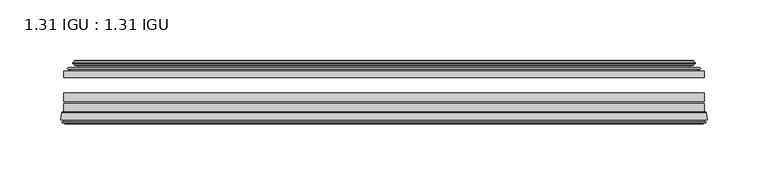
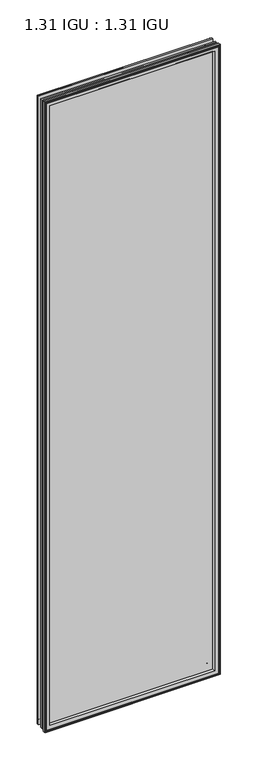
"""IFC4 building model written with IfcOpenShell, lengths in millimetres: plate geometry, 1.31 IGU : 1.31 IGU."""

from ifc_helpers import new_model, si_unit, frame, origin, place, context, project, spatial, polyline, ellipse_curve, outline, extrude, source, transform, mapped, element, save
from ifc_brep_helpers import plane_surface, cylinder_surface, revolved_surface, advanced_brep


def plate_1_31_igu_1_31_igu_4d8104e2(model_context):
    return source(origin(), model_context, "Body", "SolidModel", [
        extrude(outline(polyline([(263.5203362, -44.8960875), (263.5203362, -50.4332875), (-263.5252713, -50.4332875), (-263.5252713, -44.8960875), (263.5203362, -44.8960875)])), frame((0.0, 0.0, -14.2875), z_axis=(0.0, 0.0, 1.0), x_axis=(1.0, 0.0, 0.0)), (0.0, 0.0, 1.0), 2009.67848),
        extrude(outline(polyline([(-263.5252713, -78.7796875), (-263.5252713, -71.7692875), (263.5203362, -71.7692875), (263.5203362, -78.7796875), (-263.5252713, -78.7796875)])), frame((0.0, 0.0, -14.2875), z_axis=(0.0, 0.0, 1.0), x_axis=(1.0, 0.0, 0.0)), (0.0, 0.0, 1.0), 2009.67848),
        extrude(outline(polyline([(-263.5252713, -70.2452875), (-263.5252713, -63.1332875), (263.5203362, -63.1332875), (263.5203362, -70.2452875), (-263.5252713, -70.2452875)])), frame((0.0, 0.0, -14.2875), z_axis=(0.0, 0.0, 1.0), x_axis=(1.0, 0.0, 0.0)), (0.0, 0.0, 1.0), 2009.67848),
        advanced_brep(
        [(-266.0721752, -85.1296875, 1997.9378839), (-265.3773914, -79.4711276, 1997.2431001), (-265.3773914, -79.4711276, -16.1396201), (-266.0721752, -85.1296875, -16.8344039), (-263.6845752, -87.1207518, 1995.5502839), (-264.1417752, -85.1296875, 1996.0074839), (-264.1417752, -85.1296875, -14.9040039), (-263.6845752, -87.1207518, -14.4468039), (-264.6859371, -86.8524376, 1996.5516458), (-264.6859371, -86.8524376, -15.4481658), (-264.9291752, -87.7602147, 1996.7948839), (-264.9291752, -87.7602147, -15.6914039), (-262.8971752, -88.3046875, 1994.7628839), (-262.8971752, -88.3046875, -13.6594039), (-260.8651752, -87.7602147, 1992.7308839), (-260.8651752, -87.7602147, -11.6274039), (-261.1084133, -86.8524376, 1992.9741221), (-261.1084133, -86.8524376, -11.8706421), (-262.1097752, -87.1207518, 1993.9754839), (-262.1097752, -87.1207518, -12.8720039), (-261.6525752, -85.1296875, 1993.5182839), (-261.6525752, -85.1296875, -12.4148039), (-264.5958606, -78.7796875, 1996.4615693), (-264.5958606, -78.7796875, -15.3580893), (265.3773914, -79.4711276, -16.1396201), (266.0721752, -85.1296875, -16.8344039), (264.1417752, -85.1296875, -14.9040039), (263.6845752, -87.1207518, -14.4468039), (264.6859371, -86.8524376, -15.4481658), (264.9291752, -87.7602147, -15.6914039), (262.8971752, -88.3046875, -13.6594039), (260.8651752, -87.7602147, -11.6274039), (261.1084133, -86.8524376, -11.8706421), (262.1097752, -87.1207518, -12.8720039), (261.6525752, -85.1296875, -12.4148039), (264.5958606, -78.7796875, -15.3580893), (265.3773914, -79.4711276, 1997.2431001), (266.0721752, -85.1296875, 1997.9378839), (264.1417752, -85.1296875, 1996.0074839), (263.6845752, -87.1207518, 1995.5502839), (264.6859371, -86.8524376, 1996.5516458), (264.9291752, -87.7602147, 1996.7948839), (262.8971752, -88.3046875, 1994.7628839), (260.8651752, -87.7602147, 1992.7308839), (261.1084133, -86.8524376, 1992.9741221), (262.1097752, -87.1207518, 1993.9754839), (261.6525752, -85.1296875, 1993.5182839), (264.5958606, -78.7796875, 1996.4615693), (-249.2499844, -85.1296875, 1981.1156931), (249.2499844, -85.1296875, 1981.1156931), (249.2499844, -85.1296875, -0.0122131), (-249.2499844, -85.1296875, -0.0122131), (-245.9337075, -78.7796875, 3.3040638), (245.9337075, -78.7796875, 3.3040638), (245.9337075, -78.7796875, 1977.7994162), (-245.9337075, -78.7796875, 1977.7994162)],
        [
            (0, 1),
            (1, 2),
            (2, 3),
            (3, 0),
            (4, 5),
            (5, 6),
            (6, 7),
            (7, 4),
            (8, 4),
            (7, 9),
            (9, 8),
            (10, 8),
            (9, 11),
            (11, 10),
            (12, 10),
            (11, 13),
            (13, 12),
            (14, 12),
            (13, 15),
            (15, 14),
            (16, 14),
            (15, 17),
            (17, 16),
            (18, 16),
            (17, 19),
            (19, 18),
            (20, 18),
            (19, 21),
            (21, 20),
            (1, 22, ellipse_curve(frame((-264.5958606, -79.5670875, 1996.4615693), z_axis=(-0.7071067811865475, 0.0, -0.7071067811865475), x_axis=(-0.7071067811865474, 0.0, 0.7071067811865476)), 1.1135518, 0.7874)),
            (22, 23),
            (23, 2, ellipse_curve(frame((-264.5958606, -79.5670875, -15.3580893), z_axis=(-0.7071067811865475, 0.0, 0.7071067811865475), x_axis=(0.7071067811865474, 0.0, 0.7071067811865476)), 1.1135518, 0.7874)),
            (2, 24),
            (24, 25),
            (25, 3),
            (6, 26),
            (26, 27),
            (27, 7),
            (27, 28),
            (28, 9),
            (28, 29),
            (29, 11),
            (29, 30),
            (30, 13),
            (30, 31),
            (31, 15),
            (31, 32),
            (32, 17),
            (32, 33),
            (33, 19),
            (33, 34),
            (34, 21),
            (23, 35),
            (35, 24, ellipse_curve(frame((264.5958606, -79.5670875, -15.3580893), z_axis=(-0.7071067811865475, 0.0, -0.7071067811865475), x_axis=(-0.7071067811865476, 0.0, 0.7071067811865474)), 1.1135518, 0.7874)),
            (24, 36),
            (36, 37),
            (37, 25),
            (26, 38),
            (38, 39),
            (39, 27),
            (39, 40),
            (40, 28),
            (40, 41),
            (41, 29),
            (41, 42),
            (42, 30),
            (42, 43),
            (43, 31),
            (43, 44),
            (44, 32),
            (44, 45),
            (45, 33),
            (45, 46),
            (46, 34),
            (35, 47),
            (47, 36, ellipse_curve(frame((264.5958606, -79.5670875, 1996.4615693), z_axis=(0.7071067811865475, 0.0, -0.7071067811865475), x_axis=(-0.7071067811865474, 0.0, -0.7071067811865476)), 1.1135518, 0.7874)),
            (36, 1),
            (0, 37),
            (5, 38),
            (4, 39),
            (8, 40),
            (10, 41),
            (12, 42),
            (14, 43),
            (16, 44),
            (18, 45),
            (20, 46),
            (48, 49),
            (49, 50),
            (50, 51),
            (51, 48),
            (22, 47),
            (52, 53),
            (53, 54),
            (54, 55),
            (55, 52),
            (55, 48, ellipse_curve(frame((-238.0006895, -86.963653, 1969.8663982), z_axis=(0.7071067811865475, 0.0, 0.7071067811865475), x_axis=(0.7071067811865474, 0.0, -0.7071067811865476)), 16.118937, 11.3978097)),
            (51, 52, ellipse_curve(frame((-238.0006895, -86.963653, 11.2370818), z_axis=(0.7071067811865475, 0.0, -0.7071067811865475), x_axis=(-0.7071067811865474, 0.0, -0.7071067811865476)), 16.118937, 11.3978097)),
            (50, 53, ellipse_curve(frame((238.0006895, -86.963653, 11.2370818), z_axis=(0.7071067811865475, 0.0, 0.7071067811865475), x_axis=(0.7071067811865476, 0.0, -0.7071067811865474)), 16.118937, 11.3978097)),
            (49, 54, ellipse_curve(frame((238.0006895, -86.963653, 1969.8663982), z_axis=(-0.7071067811865475, 0.0, 0.7071067811865475), x_axis=(0.7071067811865474, 0.0, 0.7071067811865476)), 16.118937, 11.3978097)),
        ],
        [
            plane_surface(frame((-265.3773914, -79.4711276, 1997.2431001), z_axis=(-0.9925461516413008, 0.1218693434053207, 0.0), x_axis=(0.0, 0.0, -1.0))),
            plane_surface(frame((-264.1417752, -85.1296875, 1996.0074839), z_axis=(-0.9746347637895997, -0.22380142361654332, 0.0), x_axis=(0.0, 0.0, -1.0))),
            plane_surface(frame((-263.6845752, -87.1207518, 1995.5502839), z_axis=(0.2588190451026679, 0.9659258262890289, 0.0), x_axis=(0.0, 0.0, -1.0))),
            plane_surface(frame((-264.6859371, -86.8524376, 1996.5516458), z_axis=(-0.9659258262890449, 0.25881904510260834, 0.0), x_axis=(0.0, 0.0, -1.0))),
            plane_surface(frame((-264.9291752, -87.7602147, 1996.7948839), z_axis=(-0.258819045102569, -0.9659258262890554, 0.0), x_axis=(0.0, 0.0, -1.0))),
            plane_surface(frame((-262.8971752, -88.3046875, 1994.7628839), z_axis=(0.2588190451024146, -0.9659258262890968, 0.0), x_axis=(0.0, 0.0, -1.0))),
            plane_surface(frame((-260.8651752, -87.7602147, 1992.7308839), z_axis=(0.9659258262890272, 0.258819045102674, 0.0), x_axis=(0.0, 0.0, -1.0))),
            plane_surface(frame((-261.1084133, -86.8524376, 1992.9741221), z_axis=(-0.2588190451023417, 0.9659258262891163, 0.0), x_axis=(0.0, 0.0, -1.0))),
            plane_surface(frame((-262.1097752, -87.1207518, 1993.9754839), z_axis=(0.9746347637895936, -0.2238014236165695, 0.0), x_axis=(0.0, 0.0, -1.0))),
            cylinder_surface(frame((-264.5958606, -79.5670875, 2012.85348), z_axis=(0.0, 0.0, 1.0), x_axis=(-1.0, 0.0, 0.0)), 0.7874),
            plane_surface(frame((-265.3773914, -79.4711276, -16.1396201), z_axis=(0.0, 0.12186934340531747, -0.9925461516413012), x_axis=(1.0, 0.0, 0.0))),
            plane_surface(frame((-264.1417752, -85.1296875, -14.9040039), z_axis=(0.0, -0.22380142361654648, -0.9746347637895989), x_axis=(1.0, 0.0, 0.0))),
            plane_surface(frame((-263.6845752, -87.1207518, -14.4468039), z_axis=(0.0, 0.9659258262890298, 0.25881904510266474), x_axis=(1.0, 0.0, 0.0))),
            plane_surface(frame((-264.6859371, -86.8524376, -15.4481658), z_axis=(0.0, 0.25881904510260517, -0.9659258262890458), x_axis=(1.0, 0.0, 0.0))),
            plane_surface(frame((-264.9291752, -87.7602147, -15.6914039), z_axis=(0.0, -0.9659258262890563, -0.2588190451025658), x_axis=(1.0, 0.0, 0.0))),
            plane_surface(frame((-262.8971752, -88.3046875, -13.6594039), z_axis=(0.0, -0.965925826289096, 0.25881904510241777), x_axis=(1.0, 0.0, 0.0))),
            plane_surface(frame((-260.8651752, -87.7602147, -11.6274039), z_axis=(0.0, 0.2588190451026772, 0.9659258262890265), x_axis=(1.0, 0.0, 0.0))),
            plane_surface(frame((-261.1084133, -86.8524376, -11.8706421), z_axis=(0.0, 0.9659258262891154, -0.2588190451023449), x_axis=(1.0, 0.0, 0.0))),
            plane_surface(frame((-262.1097752, -87.1207518, -12.8720039), z_axis=(0.0, -0.22380142361656633, 0.9746347637895943), x_axis=(1.0, 0.0, 0.0))),
            cylinder_surface(frame((-280.9877713, -79.5670875, -15.3580893), z_axis=(-1.0, 0.0, 0.0), x_axis=(0.0, 0.0, -1.0)), 0.7874),
            plane_surface(frame((265.3773914, -79.4711276, -16.1396201), z_axis=(0.9925461516413017, 0.12186934340531423, 0.0), x_axis=(0.0, 0.0, 1.0))),
            plane_surface(frame((264.1417752, -85.1296875, -14.9040039), z_axis=(0.9746347637895981, -0.22380142361654964, 0.0), x_axis=(0.0, 0.0, 1.0))),
            plane_surface(frame((263.6845752, -87.1207518, -14.4468039), z_axis=(-0.25881904510266157, 0.9659258262890307, 0.0), x_axis=(0.0, 0.0, 1.0))),
            plane_surface(frame((264.6859371, -86.8524376, -15.4481658), z_axis=(0.9659258262890467, 0.258819045102602, 0.0), x_axis=(0.0, 0.0, 1.0))),
            plane_surface(frame((264.9291752, -87.7602147, -15.6914039), z_axis=(0.25881904510256265, -0.9659258262890572, 0.0), x_axis=(0.0, 0.0, 1.0))),
            plane_surface(frame((262.8971752, -88.3046875, -13.6594039), z_axis=(-0.25881904510242093, -0.9659258262890951, 0.0), x_axis=(0.0, 0.0, 1.0))),
            plane_surface(frame((260.8651752, -87.7602147, -11.6274039), z_axis=(-0.9659258262890256, 0.2588190451026804, 0.0), x_axis=(0.0, 0.0, 1.0))),
            plane_surface(frame((261.1084133, -86.8524376, -11.8706421), z_axis=(0.2588190451023481, 0.9659258262891146, 0.0), x_axis=(0.0, 0.0, 1.0))),
            plane_surface(frame((262.1097752, -87.1207518, -12.8720039), z_axis=(-0.9746347637895951, -0.22380142361656316, 0.0), x_axis=(0.0, 0.0, 1.0))),
            cylinder_surface(frame((264.5958606, -79.5670875, -31.75), z_axis=(0.0, 0.0, -1.0), x_axis=(1.0, 0.0, 0.0)), 0.7874),
            plane_surface(frame((265.3773914, -79.4711276, 1997.2431001), z_axis=(0.0, 0.12186934340531747, 0.9925461516413012), x_axis=(-1.0, 0.0, 0.0))),
            plane_surface(frame((266.0721752, -85.1296875, 1997.9378839), z_axis=(0.0, -1.0, 0.0), x_axis=(-1.0, 0.0, 0.0))),
            plane_surface(frame((264.1417752, -85.1296875, 1996.0074839), z_axis=(0.0, -0.22380142361654648, 0.9746347637895989), x_axis=(-1.0, 0.0, 0.0))),
            plane_surface(frame((263.6845752, -87.1207518, 1995.5502839), z_axis=(0.0, 0.9659258262890298, -0.25881904510266474), x_axis=(-1.0, 0.0, 0.0))),
            plane_surface(frame((264.6859371, -86.8524376, 1996.5516458), z_axis=(0.0, 0.25881904510260517, 0.9659258262890458), x_axis=(-1.0, 0.0, 0.0))),
            plane_surface(frame((264.9291752, -87.7602147, 1996.7948839), z_axis=(0.0, -0.9659258262890563, 0.2588190451025658), x_axis=(-1.0, 0.0, 0.0))),
            plane_surface(frame((262.8971752, -88.3046875, 1994.7628839), z_axis=(0.0, -0.965925826289096, -0.25881904510241777), x_axis=(-1.0, 0.0, 0.0))),
            plane_surface(frame((260.8651752, -87.7602147, 1992.7308839), z_axis=(0.0, 0.2588190451026772, -0.9659258262890265), x_axis=(-1.0, 0.0, 0.0))),
            plane_surface(frame((261.1084133, -86.8524376, 1992.9741221), z_axis=(0.0, 0.9659258262891155, 0.25881904510234494), x_axis=(-1.0, 0.0, 0.0))),
            plane_surface(frame((262.1097752, -87.1207518, 1993.9754839), z_axis=(0.0, -0.22380142361656633, -0.9746347637895943), x_axis=(-1.0, 0.0, 0.0))),
            plane_surface(frame((261.6525752, -85.1296875, 1993.5182839), z_axis=(0.0, -1.0, 0.0), x_axis=(-1.0, 0.0, 0.0))),
            plane_surface(frame((245.9337075, -78.7796875, 1977.7994162), z_axis=(0.0, 1.0, 0.0), x_axis=(-1.0, 0.0, 0.0))),
            cylinder_surface(frame((280.9877713, -79.5670875, 1996.4615693), z_axis=(1.0, 0.0, 0.0), x_axis=(0.0, 0.0, 1.0)), 0.7874),
            revolved_surface(polyline([(-249.3984992, -86.963653, -0.1607278582187064), (-249.3984992, -86.963653, 1981.2642078582187)]), (-238.0006895, -86.963653, 2012.85348), (0.0, 0.0, -1.0)),
            revolved_surface(polyline([(249.39849915821873, -86.963653, -0.16072789999999948), (-249.39849915821873, -86.963653, -0.16072789999999948)]), (-280.9877713, -86.963653, 11.2370818), (1.0, 0.0, 0.0)),
            revolved_surface(polyline([(249.3984992, -86.963653, 1981.2642078582187), (249.3984992, -86.963653, -0.16072785821874191)]), (238.0006895, -86.963653, -31.75), (0.0, 0.0, 1.0)),
            revolved_surface(polyline([(-249.39849915821873, -86.963653, 1981.2642079), (249.39849915821873, -86.963653, 1981.2642079)]), (280.9877713, -86.963653, 1969.8663982), (-1.0, 0.0, 0.0)),
        ],
        [
            (0, [[1, 2, 3, 4]]),
            (1, [[5, 6, 7, 8]]),
            (2, [[9, -8, 10, 11]]),
            (3, [[12, -11, 13, 14]]),
            (4, [[15, -14, 16, 17]]),
            (5, [[18, -17, 19, 20]]),
            (6, [[21, -20, 22, 23]]),
            (7, [[24, -23, 25, 26]]),
            (8, [[27, -26, 28, 29]]),
            (9, [[30, 31, 32, -2]]),
            (10, [[-3, 33, 34, 35]]),
            (11, [[-7, 36, 37, 38]]),
            (12, [[-10, -38, 39, 40]]),
            (13, [[-13, -40, 41, 42]]),
            (14, [[-16, -42, 43, 44]]),
            (15, [[-19, -44, 45, 46]]),
            (16, [[-22, -46, 47, 48]]),
            (17, [[-25, -48, 49, 50]]),
            (18, [[-28, -50, 51, 52]]),
            (19, [[-32, 53, 54, -33]]),
            (20, [[-34, 55, 56, 57]]),
            (21, [[-37, 58, 59, 60]]),
            (22, [[-39, -60, 61, 62]]),
            (23, [[-41, -62, 63, 64]]),
            (24, [[-43, -64, 65, 66]]),
            (25, [[-45, -66, 67, 68]]),
            (26, [[-47, -68, 69, 70]]),
            (27, [[-49, -70, 71, 72]]),
            (28, [[-51, -72, 73, 74]]),
            (29, [[-54, 75, 76, -55]]),
            (30, [[-56, 77, -1, 78]]),
            (31, [[-35, -57, -78, -4], [79, -58, -36, -6]]),
            (32, [[-59, -79, -5, 80]]),
            (33, [[-61, -80, -9, 81]]),
            (34, [[-63, -81, -12, 82]]),
            (35, [[-65, -82, -15, 83]]),
            (36, [[-67, -83, -18, 84]]),
            (37, [[-69, -84, -21, 85]]),
            (38, [[-71, -85, -24, 86]]),
            (39, [[-73, -86, -27, 87]]),
            (40, [[-52, -74, -87, -29], [88, 89, 90, 91]]),
            (41, [[92, -75, -53, -31], [93, 94, 95, 96]]),
            (42, [[-76, -92, -30, -77]]),
            (43, [[97, -91, 98, -96]]),
            (44, [[-98, -90, 99, -93]]),
            (45, [[-99, -89, 100, -94]]),
            (46, [[-100, -88, -97, -95]]),
        ],
    ),
        advanced_brep(
        [(-254.1799468, -37.7373382, 1986.0456555), (-249.2383138, -36.3108875, 1981.1040226), (-249.2383138, -36.3108875, -0.0005426), (-254.1799468, -37.7373382, -4.9421755), (-254.0148415, -36.9605789, 1985.8805502), (-254.0148415, -36.9605789, -4.7770702), (-254.6103272, -36.4771203, 1986.4760359), (-254.6103272, -36.4771203, -5.3725559), (-255.874963, -37.766076, 1987.7406717), (-255.874963, -37.766076, -6.6371917), (-255.8641462, -38.8797852, 1987.7298549), (-255.8641462, -38.8797852, -6.6263749), (-254.582661, -40.1361433, 1986.4483697), (-254.582661, -40.1361433, -5.3448897), (-253.9776542, -39.649943, 1985.8433629), (-253.9776542, -39.649943, -4.7398829), (-254.5316684, -39.0959287, 1986.3973772), (-254.5316684, -39.0959287, -5.2938972), (-252.24586, -38.7029881, 1984.1115687), (-252.24586, -38.7029881, -3.0080887), (-250.7867869, -40.2107282, 1982.6524957), (-250.7867869, -40.2107282, -1.5490157), (-251.0833689, -41.651269, 1982.9490776), (-251.0833689, -41.651269, -1.8455976), (-251.8545933, -42.2798875, 1983.7203021), (-251.8545933, -42.2798875, -2.6168221), (-260.1585697, -43.4871542, 1992.0242784), (-259.8833682, -42.2798875, 1991.7490769), (-259.8833682, -42.2798875, -10.6455969), (-260.1585697, -43.4871542, -10.9207984), (-256.701001, -44.8960875, 1988.5667097), (-256.701001, -44.8960875, -7.4632297), (-245.6033772, -44.023302, 1977.4690859), (-245.9587152, -44.8960875, 1977.8244239), (-245.9587152, -44.8960875, 3.2790561), (-245.6033772, -44.023302, 3.6343941), (-246.2745752, -43.3681812, 1978.140284), (-246.2745752, -43.3681812, 2.963196), (-247.9153658, -40.6686056, 1979.7810746), (-247.9153658, -40.6686056, 1.3224054), (249.2383138, -36.3108875, -0.0005426), (254.1799468, -37.7373382, -4.9421755), (254.0148415, -36.9605789, -4.7770702), (254.6103272, -36.4771203, -5.3725559), (255.874963, -37.766076, -6.6371917), (255.8641462, -38.8797852, -6.6263749), (254.582661, -40.1361433, -5.3448897), (253.9776542, -39.649943, -4.7398829), (254.5316684, -39.0959287, -5.2938972), (252.24586, -38.7029881, -3.0080887), (250.7867869, -40.2107282, -1.5490157), (251.0833689, -41.651269, -1.8455976), (251.8545933, -42.2798875, -2.6168221), (259.8833682, -42.2798875, -10.6455969), (260.1585697, -43.4871542, -10.9207984), (256.701001, -44.8960875, -7.4632297), (245.9587152, -44.8960875, 3.2790561), (245.6033772, -44.023302, 3.6343941), (246.2745752, -43.3681812, 2.963196), (247.9153658, -40.6686056, 1.3224054), (249.2383138, -36.3108875, 1981.1040226), (254.1799468, -37.7373382, 1986.0456555), (254.0148415, -36.9605789, 1985.8805502), (254.6103272, -36.4771203, 1986.4760359), (255.874963, -37.766076, 1987.7406717), (255.8641462, -38.8797852, 1987.7298549), (254.582661, -40.1361433, 1986.4483697), (253.9776542, -39.649943, 1985.8433629), (254.5316684, -39.0959287, 1986.3973772), (252.24586, -38.7029881, 1984.1115687), (250.7867869, -40.2107282, 1982.6524957), (251.0833689, -41.651269, 1982.9490776), (251.8545933, -42.2798875, 1983.7203021), (259.8833682, -42.2798875, 1991.7490769), (260.1585697, -43.4871542, 1992.0242784), (256.701001, -44.8960875, 1988.5667097), (245.9587152, -44.8960875, 1977.8244239), (245.6033772, -44.023302, 1977.4690859), (246.2745752, -43.3681812, 1978.140284), (247.9153658, -40.6686056, 1979.7810746)],
        [
            (0, 1),
            (1, 2),
            (2, 3),
            (3, 0),
            (4, 0),
            (3, 5),
            (5, 4),
            (6, 4, ellipse_curve(frame((-254.3353584, -36.746901, 1986.2010671), z_axis=(-0.7071067811865475, 0.0, -0.7071067811865475), x_axis=(-0.7071067811865474, 0.0, 0.7071067811865476)), 0.5447741, 0.3852135)),
            (5, 7, ellipse_curve(frame((-254.3353584, -36.746901, -5.0975871), z_axis=(-0.7071067811865475, 0.0, 0.7071067811865475), x_axis=(0.7071067811865474, 0.0, 0.7071067811865476)), 0.5447741, 0.3852135)),
            (7, 6),
            (8, 6),
            (7, 9),
            (9, 8),
            (10, 8, ellipse_curve(frame((-255.3129099, -38.3175243, 1987.1786187), z_axis=(-0.7071067811865475, 0.0, -0.7071067811865475), x_axis=(-0.7071067811865474, 0.0, 0.7071067811865476)), 1.1135518, 0.7874)),
            (9, 11, ellipse_curve(frame((-255.3129099, -38.3175243, -6.0751387), z_axis=(-0.7071067811865475, 0.0, 0.7071067811865475), x_axis=(0.7071067811865474, 0.0, 0.7071067811865476)), 1.1135518, 0.7874)),
            (11, 10),
            (12, 10),
            (11, 13),
            (13, 12),
            (14, 12, ellipse_curve(frame((-254.3090635, -39.8570738, 1986.1747722), z_axis=(-0.7071067811865475, 0.0, -0.7071067811865475), x_axis=(-0.7071067811865474, 0.0, 0.7071067811865476)), 0.552694, 0.3908137)),
            (13, 15, ellipse_curve(frame((-254.3090635, -39.8570738, -5.0712922), z_axis=(-0.7071067811865475, 0.0, 0.7071067811865475), x_axis=(0.7071067811865474, 0.0, 0.7071067811865476)), 0.552694, 0.3908137)),
            (15, 14),
            (16, 14),
            (15, 17),
            (17, 16),
            (18, 16),
            (17, 19),
            (19, 18),
            (20, 18, ellipse_curve(frame((-252.0306974, -39.954629, 1983.8964061), z_axis=(0.7071067811865475, 0.0, 0.7071067811865475), x_axis=(0.7071067811865474, 0.0, -0.7071067811865476)), 1.7960512, 1.27)),
            (19, 21, ellipse_curve(frame((-252.0306974, -39.954629, -2.7929261), z_axis=(0.7071067811865475, 0.0, -0.7071067811865475), x_axis=(-0.7071067811865474, 0.0, -0.7071067811865476)), 1.7960512, 1.27)),
            (21, 20),
            (22, 20),
            (21, 23),
            (23, 22),
            (24, 22, ellipse_curve(frame((-251.8545933, -41.4924875, 1983.7203021), z_axis=(0.7071067811865475, 0.0, 0.7071067811865475), x_axis=(0.7071067811865474, 0.0, -0.7071067811865476)), 1.1135518, 0.7874)),
            (23, 25, ellipse_curve(frame((-251.8545933, -41.4924875, -2.6168221), z_axis=(0.7071067811865475, 0.0, -0.7071067811865475), x_axis=(-0.7071067811865474, 0.0, -0.7071067811865476)), 1.1135518, 0.7874)),
            (25, 24),
            (26, 27, ellipse_curve(frame((-259.8833682, -42.9148875, 1991.7490769), z_axis=(-0.7071067811865475, 0.0, -0.7071067811865475), x_axis=(-0.7071067811865474, 0.0, 0.7071067811865476)), 0.8980256, 0.635)),
            (27, 28),
            (28, 29, ellipse_curve(frame((-259.8833682, -42.9148875, -10.6455969), z_axis=(-0.7071067811865475, 0.0, 0.7071067811865475), x_axis=(0.7071067811865474, 0.0, 0.7071067811865476)), 0.8980256, 0.635)),
            (29, 26),
            (30, 26),
            (29, 31),
            (31, 30),
            (32, 33, ellipse_curve(frame((-245.9587152, -44.3873602, 1977.8244239), z_axis=(-0.7071067811865475, 0.0, -0.7071067811865475), x_axis=(-0.7071067811865474, 0.0, 0.7071067811865476)), 0.719449, 0.5087273)),
            (33, 34),
            (34, 35, ellipse_curve(frame((-245.9587152, -44.3873602, 3.2790561), z_axis=(-0.7071067811865475, 0.0, 0.7071067811865475), x_axis=(0.7071067811865474, 0.0, 0.7071067811865476)), 0.719449, 0.5087273)),
            (35, 32),
            (36, 32),
            (35, 37),
            (37, 36),
            (38, 36, ellipse_curve(frame((-241.839201, -38.823959, 1973.7049098), z_axis=(0.7071067811865475, 0.0, 0.7071067811865475), x_axis=(0.7071067811865474, 0.0, -0.7071067811865476)), 8.9802561, 6.35)),
            (37, 39, ellipse_curve(frame((-241.839201, -38.823959, 7.3985702), z_axis=(0.7071067811865475, 0.0, -0.7071067811865475), x_axis=(-0.7071067811865474, 0.0, -0.7071067811865476)), 8.9802561, 6.35)),
            (39, 38),
            (1, 38),
            (39, 2),
            (2, 40),
            (40, 41),
            (41, 3),
            (41, 42),
            (42, 5),
            (42, 43, ellipse_curve(frame((254.3353584, -36.746901, -5.0975871), z_axis=(-0.7071067811865475, 0.0, -0.7071067811865475), x_axis=(-0.7071067811865476, 0.0, 0.7071067811865474)), 0.5447741, 0.3852135)),
            (43, 7),
            (43, 44),
            (44, 9),
            (44, 45, ellipse_curve(frame((255.3129099, -38.3175243, -6.0751387), z_axis=(-0.7071067811865475, 0.0, -0.7071067811865475), x_axis=(-0.7071067811865476, 0.0, 0.7071067811865474)), 1.1135518, 0.7874)),
            (45, 11),
            (45, 46),
            (46, 13),
            (46, 47, ellipse_curve(frame((254.3090635, -39.8570738, -5.0712922), z_axis=(-0.7071067811865475, 0.0, -0.7071067811865475), x_axis=(-0.7071067811865476, 0.0, 0.7071067811865474)), 0.552694, 0.3908137)),
            (47, 15),
            (47, 48),
            (48, 17),
            (48, 49),
            (49, 19),
            (49, 50, ellipse_curve(frame((252.0306974, -39.954629, -2.7929261), z_axis=(0.7071067811865475, 0.0, 0.7071067811865475), x_axis=(0.7071067811865476, 0.0, -0.7071067811865474)), 1.7960512, 1.27)),
            (50, 21),
            (50, 51),
            (51, 23),
            (51, 52, ellipse_curve(frame((251.8545933, -41.4924875, -2.6168221), z_axis=(0.7071067811865475, 0.0, 0.7071067811865475), x_axis=(0.7071067811865476, 0.0, -0.7071067811865474)), 1.1135518, 0.7874)),
            (52, 25),
            (28, 53),
            (53, 54, ellipse_curve(frame((259.8833682, -42.9148875, -10.6455969), z_axis=(-0.7071067811865475, 0.0, -0.7071067811865475), x_axis=(-0.7071067811865476, 0.0, 0.7071067811865474)), 0.8980256, 0.635)),
            (54, 29),
            (54, 55),
            (55, 31),
            (34, 56),
            (56, 57, ellipse_curve(frame((245.9587152, -44.3873602, 3.2790561), z_axis=(-0.7071067811865475, 0.0, -0.7071067811865475), x_axis=(-0.7071067811865476, 0.0, 0.7071067811865474)), 0.719449, 0.5087273)),
            (57, 35),
            (57, 58),
            (58, 37),
            (58, 59, ellipse_curve(frame((241.839201, -38.823959, 7.3985702), z_axis=(0.7071067811865475, 0.0, 0.7071067811865475), x_axis=(0.7071067811865476, 0.0, -0.7071067811865474)), 8.9802561, 6.35)),
            (59, 39),
            (59, 40),
            (40, 60),
            (60, 61),
            (61, 41),
            (61, 62),
            (62, 42),
            (62, 63, ellipse_curve(frame((254.3353584, -36.746901, 1986.2010671), z_axis=(0.7071067811865475, 0.0, -0.7071067811865475), x_axis=(-0.7071067811865474, 0.0, -0.7071067811865476)), 0.5447741, 0.3852135)),
            (63, 43),
            (63, 64),
            (64, 44),
            (64, 65, ellipse_curve(frame((255.3129099, -38.3175243, 1987.1786187), z_axis=(0.7071067811865475, 0.0, -0.7071067811865475), x_axis=(-0.7071067811865474, 0.0, -0.7071067811865476)), 1.1135518, 0.7874)),
            (65, 45),
            (65, 66),
            (66, 46),
            (66, 67, ellipse_curve(frame((254.3090635, -39.8570738, 1986.1747722), z_axis=(0.7071067811865475, 0.0, -0.7071067811865475), x_axis=(-0.7071067811865474, 0.0, -0.7071067811865476)), 0.552694, 0.3908137)),
            (67, 47),
            (67, 68),
            (68, 48),
            (68, 69),
            (69, 49),
            (69, 70, ellipse_curve(frame((252.0306974, -39.954629, 1983.8964061), z_axis=(-0.7071067811865475, 0.0, 0.7071067811865475), x_axis=(0.7071067811865474, 0.0, 0.7071067811865476)), 1.7960512, 1.27)),
            (70, 50),
            (70, 71),
            (71, 51),
            (71, 72, ellipse_curve(frame((251.8545933, -41.4924875, 1983.7203021), z_axis=(-0.7071067811865475, 0.0, 0.7071067811865475), x_axis=(0.7071067811865474, 0.0, 0.7071067811865476)), 1.1135518, 0.7874)),
            (72, 52),
            (53, 73),
            (73, 74, ellipse_curve(frame((259.8833682, -42.9148875, 1991.7490769), z_axis=(0.7071067811865475, 0.0, -0.7071067811865475), x_axis=(-0.7071067811865474, 0.0, -0.7071067811865476)), 0.8980256, 0.635)),
            (74, 54),
            (74, 75),
            (75, 55),
            (56, 76),
            (76, 77, ellipse_curve(frame((245.9587152, -44.3873602, 1977.8244239), z_axis=(0.7071067811865475, 0.0, -0.7071067811865475), x_axis=(-0.7071067811865474, 0.0, -0.7071067811865476)), 0.719449, 0.5087273)),
            (77, 57),
            (77, 78),
            (78, 58),
            (78, 79, ellipse_curve(frame((241.839201, -38.823959, 1973.7049098), z_axis=(-0.7071067811865475, 0.0, 0.7071067811865475), x_axis=(0.7071067811865474, 0.0, 0.7071067811865476)), 8.9802561, 6.35)),
            (79, 59),
            (79, 60),
            (60, 1),
            (0, 61),
            (4, 62),
            (6, 63),
            (8, 64),
            (10, 65),
            (12, 66),
            (14, 67),
            (16, 68),
            (18, 69),
            (20, 70),
            (22, 71),
            (24, 72),
            (27, 73),
            (26, 74),
            (30, 75),
            (33, 76),
            (32, 77),
            (36, 78),
            (38, 79),
        ],
        [
            plane_surface(frame((-249.2383138, -36.3108875, 1981.1040226), z_axis=(-0.27733649284928463, 0.9607728502273879, 0.0), x_axis=(0.0, 0.0, -1.0))),
            plane_surface(frame((-254.1799468, -37.7373382, 1986.0456555), z_axis=(0.9781476007338358, -0.20791169081761773, 0.0), x_axis=(0.0, 0.0, -1.0))),
            cylinder_surface(frame((-254.3353584, -36.746901, 2012.85348), z_axis=(0.0, 0.0, 1.0), x_axis=(-1.0, 0.0, 0.0)), 0.3852135),
            plane_surface(frame((-254.6103272, -36.4771203, 1986.4760359), z_axis=(-0.7138087599382162, 0.7003406701280929, 0.0), x_axis=(0.0, 0.0, -1.0))),
            cylinder_surface(frame((-255.3129099, -38.3175243, 2012.85348), z_axis=(0.0, 0.0, 1.0), x_axis=(-1.0, 0.0, 0.0)), 0.7874),
            plane_surface(frame((-255.8641462, -38.8797852, 1987.7298549), z_axis=(-0.7000714109283733, -0.7140728391423082, 0.0), x_axis=(0.0, 0.0, -1.0))),
            cylinder_surface(frame((-254.3090635, -39.8570738, 2012.85348), z_axis=(0.0, 0.0, 1.0), x_axis=(-1.0, 0.0, 0.0)), 0.3908137),
            plane_surface(frame((-253.9776542, -39.649943, 1985.8433629), z_axis=(0.7071067811861126, 0.7071067811869826, 0.0), x_axis=(0.0, 0.0, -1.0))),
            plane_surface(frame((-254.5316684, -39.0959287, 1986.3973772), z_axis=(0.16941940671011482, -0.9855440449974789, 0.0), x_axis=(0.0, 0.0, -1.0))),
            revolved_surface(polyline([(-253.30069740000002, -39.954629, -4.062926082878221), (-253.30069740000002, -39.954629, 1985.1664060828782)]), (-252.0306974, -39.954629, 2012.85348), (0.0, 0.0, -1.0)),
            plane_surface(frame((-250.7867869, -40.2107282, 1982.6524957), z_axis=(-0.9794570432566897, 0.20165292067030202, 0.0), x_axis=(0.0, 0.0, -1.0))),
            revolved_surface(polyline([(-252.6419933, -41.4924875, -3.4042221289826102), (-252.6419933, -41.4924875, 1984.5077021289826)]), (-251.8545933, -41.4924875, 2012.85348), (0.0, 0.0, -1.0)),
            cylinder_surface(frame((-259.8833682, -42.9148875, 2012.85348), z_axis=(0.0, 0.0, 1.0), x_axis=(-1.0, 0.0, 0.0)), 0.635),
            plane_surface(frame((-260.1585697, -43.4871542, 1992.0242784), z_axis=(-0.37736447542757934, -0.9260648209954139, 0.0), x_axis=(0.0, 0.0, -1.0))),
            cylinder_surface(frame((-245.9587152, -44.3873602, 2012.85348), z_axis=(0.0, 0.0, 1.0), x_axis=(-1.0, 0.0, 0.0)), 0.5087273),
            plane_surface(frame((-245.6033772, -44.023302, 1977.4690859), z_axis=(0.698484125849927, 0.7156255486884628, 0.0), x_axis=(0.0, 0.0, -1.0))),
            revolved_surface(polyline([(-248.189201, -38.823959, 1.0485702148980636), (-248.189201, -38.823959, 1980.054909785102)]), (-241.839201, -38.823959, 2012.85348), (0.0, 0.0, -1.0)),
            plane_surface(frame((-247.9153658, -40.6686056, 1979.7810746), z_axis=(0.956876347351701, 0.2904955350411895, 0.0), x_axis=(0.0, 0.0, -1.0))),
            plane_surface(frame((-249.2383138, -36.3108875, -0.0005426), z_axis=(0.0, 0.960772850227387, -0.27733649284928774), x_axis=(1.0, 0.0, 0.0))),
            plane_surface(frame((-254.1799468, -37.7373382, -4.9421755), z_axis=(0.0, -0.20791169081761454, 0.9781476007338364), x_axis=(1.0, 0.0, 0.0))),
            cylinder_surface(frame((-280.9877713, -36.746901, -5.0975871), z_axis=(-1.0, 0.0, 0.0), x_axis=(0.0, 0.0, -1.0)), 0.3852135),
            plane_surface(frame((-254.6103272, -36.4771203, -5.3725559), z_axis=(0.0, 0.7003406701280904, -0.7138087599382185), x_axis=(1.0, 0.0, 0.0))),
            cylinder_surface(frame((-280.9877713, -38.3175243, -6.0751387), z_axis=(-1.0, 0.0, 0.0), x_axis=(0.0, 0.0, -1.0)), 0.7874),
            plane_surface(frame((-255.8641462, -38.8797852, -6.6263749), z_axis=(0.0, -0.7140728391423106, -0.700071410928371), x_axis=(1.0, 0.0, 0.0))),
            cylinder_surface(frame((-280.9877713, -39.8570738, -5.0712922), z_axis=(-1.0, 0.0, 0.0), x_axis=(0.0, 0.0, -1.0)), 0.3908137),
            plane_surface(frame((-253.9776542, -39.649943, -4.7398829), z_axis=(0.0, 0.7071067811869849, 0.7071067811861103), x_axis=(1.0, 0.0, 0.0))),
            plane_surface(frame((-254.5316684, -39.0959287, -5.2938972), z_axis=(0.0, -0.9855440449974784, 0.16941940671011801), x_axis=(1.0, 0.0, 0.0))),
            revolved_surface(polyline([(253.30069738287835, -39.954629, -4.0629261), (-253.30069738287824, -39.954629, -4.0629261)]), (-280.9877713, -39.954629, -2.7929261), (1.0, 0.0, 0.0)),
            plane_surface(frame((-250.7867869, -40.2107282, -1.5490157), z_axis=(0.0, 0.20165292067029883, -0.9794570432566904), x_axis=(1.0, 0.0, 0.0))),
            revolved_surface(polyline([(252.64199332898244, -41.4924875, -3.4042220999999997), (-252.6419933289825, -41.4924875, -3.4042220999999997)]), (-280.9877713, -41.4924875, -2.6168221), (1.0, 0.0, 0.0)),
            cylinder_surface(frame((-280.9877713, -42.9148875, -10.6455969), z_axis=(-1.0, 0.0, 0.0), x_axis=(0.0, 0.0, -1.0)), 0.635),
            plane_surface(frame((-260.1585697, -43.4871542, -10.9207984), z_axis=(0.0, -0.9260648209954151, -0.37736447542757634), x_axis=(1.0, 0.0, 0.0))),
            cylinder_surface(frame((-280.9877713, -44.3873602, 3.2790561), z_axis=(-1.0, 0.0, 0.0), x_axis=(0.0, 0.0, -1.0)), 0.5087273),
            plane_surface(frame((-245.6033772, -44.023302, 3.6343941), z_axis=(0.0, 0.7156255486884651, 0.6984841258499247), x_axis=(1.0, 0.0, 0.0))),
            revolved_surface(polyline([(248.18920098510188, -38.823959, 1.0485702000000003), (-248.18920098510188, -38.823959, 1.0485702000000003)]), (-280.9877713, -38.823959, 7.3985702), (1.0, 0.0, 0.0)),
            plane_surface(frame((-247.9153658, -40.6686056, 1.3224054), z_axis=(0.0, 0.29049553504119263, 0.9568763473517), x_axis=(1.0, 0.0, 0.0))),
            plane_surface(frame((249.2383138, -36.3108875, -0.0005426), z_axis=(0.27733649284929085, 0.9607728502273861, 0.0), x_axis=(0.0, 0.0, 1.0))),
            plane_surface(frame((254.1799468, -37.7373382, -4.9421755), z_axis=(-0.9781476007338371, -0.20791169081761135, 0.0), x_axis=(0.0, 0.0, 1.0))),
            cylinder_surface(frame((254.3353584, -36.746901, -31.75), z_axis=(0.0, 0.0, -1.0), x_axis=(1.0, 0.0, 0.0)), 0.3852135),
            plane_surface(frame((254.6103272, -36.4771203, -5.3725559), z_axis=(0.7138087599382208, 0.7003406701280881, 0.0), x_axis=(0.0, 0.0, 1.0))),
            cylinder_surface(frame((255.3129099, -38.3175243, -31.75), z_axis=(0.0, 0.0, -1.0), x_axis=(1.0, 0.0, 0.0)), 0.7874),
            plane_surface(frame((255.8641462, -38.8797852, -6.6263749), z_axis=(0.7000714109283687, -0.7140728391423129, 0.0), x_axis=(0.0, 0.0, 1.0))),
            cylinder_surface(frame((254.3090635, -39.8570738, -31.75), z_axis=(0.0, 0.0, -1.0), x_axis=(1.0, 0.0, 0.0)), 0.3908137),
            plane_surface(frame((253.9776542, -39.649943, -4.7398829), z_axis=(-0.7071067811861079, 0.7071067811869872, 0.0), x_axis=(0.0, 0.0, 1.0))),
            plane_surface(frame((254.5316684, -39.0959287, -5.2938972), z_axis=(-0.1694194067101212, -0.9855440449974778, 0.0), x_axis=(0.0, 0.0, 1.0))),
            revolved_surface(polyline([(253.30069740000002, -39.954629, 1985.1664060828782), (253.30069740000002, -39.954629, -4.062926082878235)]), (252.0306974, -39.954629, -31.75), (0.0, 0.0, 1.0)),
            plane_surface(frame((250.7867869, -40.2107282, -1.5490157), z_axis=(0.979457043256691, 0.20165292067029564, 0.0), x_axis=(0.0, 0.0, 1.0))),
            revolved_surface(polyline([(252.6419933, -41.4924875, 1984.5077021289826), (252.6419933, -41.4924875, -3.404222128982486)]), (251.8545933, -41.4924875, -31.75), (0.0, 0.0, 1.0)),
            cylinder_surface(frame((259.8833682, -42.9148875, -31.75), z_axis=(0.0, 0.0, -1.0), x_axis=(1.0, 0.0, 0.0)), 0.635),
            plane_surface(frame((260.1585697, -43.4871542, -10.9207984), z_axis=(0.37736447542757334, -0.9260648209954163, 0.0), x_axis=(0.0, 0.0, 1.0))),
            cylinder_surface(frame((245.9587152, -44.3873602, -31.75), z_axis=(0.0, 0.0, -1.0), x_axis=(1.0, 0.0, 0.0)), 0.5087273),
            plane_surface(frame((245.6033772, -44.023302, 3.6343941), z_axis=(-0.6984841258499224, 0.7156255486884673, 0.0), x_axis=(0.0, 0.0, 1.0))),
            revolved_surface(polyline([(248.189201, -38.823959, 1980.054909785102), (248.189201, -38.823959, 1.0485702148981417)]), (241.839201, -38.823959, -31.75), (0.0, 0.0, 1.0)),
            plane_surface(frame((247.9153658, -40.6686056, 1.3224054), z_axis=(-0.9568763473516991, 0.2904955350411958, 0.0), x_axis=(0.0, 0.0, 1.0))),
            plane_surface(frame((249.2383138, -36.3108875, 1981.1040226), z_axis=(0.0, 0.960772850227387, 0.27733649284928774), x_axis=(-1.0, 0.0, 0.0))),
            plane_surface(frame((254.1799468, -37.7373382, 1986.0456555), z_axis=(0.0, -0.20791169081761454, -0.9781476007338364), x_axis=(-1.0, 0.0, 0.0))),
            cylinder_surface(frame((280.9877713, -36.746901, 1986.2010671), z_axis=(1.0, 0.0, 0.0), x_axis=(0.0, 0.0, 1.0)), 0.3852135),
            plane_surface(frame((254.6103272, -36.4771203, 1986.4760359), z_axis=(0.0, 0.7003406701280904, 0.7138087599382185), x_axis=(-1.0, 0.0, 0.0))),
            cylinder_surface(frame((280.9877713, -38.3175243, 1987.1786187), z_axis=(1.0, 0.0, 0.0), x_axis=(0.0, 0.0, 1.0)), 0.7874),
            plane_surface(frame((255.8641462, -38.8797852, 1987.7298549), z_axis=(0.0, -0.7140728391423106, 0.700071410928371), x_axis=(-1.0, 0.0, 0.0))),
            cylinder_surface(frame((280.9877713, -39.8570738, 1986.1747722), z_axis=(1.0, 0.0, 0.0), x_axis=(0.0, 0.0, 1.0)), 0.3908137),
            plane_surface(frame((253.9776542, -39.649943, 1985.8433629), z_axis=(0.0, 0.7071067811869849, -0.7071067811861103), x_axis=(-1.0, 0.0, 0.0))),
            plane_surface(frame((254.5316684, -39.0959287, 1986.3973772), z_axis=(0.0, -0.9855440449974784, -0.16941940671011801), x_axis=(-1.0, 0.0, 0.0))),
            revolved_surface(polyline([(-253.30069738287835, -39.954629, 1985.1664061), (253.30069738287824, -39.954629, 1985.1664061)]), (280.9877713, -39.954629, 1983.8964061), (-1.0, 0.0, 0.0)),
            plane_surface(frame((250.7867869, -40.2107282, 1982.6524957), z_axis=(0.0, 0.20165292067029883, 0.9794570432566904), x_axis=(-1.0, 0.0, 0.0))),
            revolved_surface(polyline([(-252.64199332898244, -41.4924875, 1984.5077021), (252.6419933289825, -41.4924875, 1984.5077021)]), (280.9877713, -41.4924875, 1983.7203021), (-1.0, 0.0, 0.0)),
            plane_surface(frame((251.8545933, -42.2798875, 1983.7203021), z_axis=(0.0, 1.0, 0.0), x_axis=(-1.0, 0.0, 0.0))),
            cylinder_surface(frame((280.9877713, -42.9148875, 1991.7490769), z_axis=(1.0, 0.0, 0.0), x_axis=(0.0, 0.0, 1.0)), 0.635),
            plane_surface(frame((260.1585697, -43.4871542, 1992.0242784), z_axis=(0.0, -0.9260648209954151, 0.37736447542757634), x_axis=(-1.0, 0.0, 0.0))),
            plane_surface(frame((256.701001, -44.8960875, 1988.5667097), z_axis=(0.0, -1.0, 0.0), x_axis=(-1.0, 0.0, 0.0))),
            cylinder_surface(frame((280.9877713, -44.3873602, 1977.8244239), z_axis=(1.0, 0.0, 0.0), x_axis=(0.0, 0.0, 1.0)), 0.5087273),
            plane_surface(frame((245.6033772, -44.023302, 1977.4690859), z_axis=(0.0, 0.7156255486884651, -0.6984841258499247), x_axis=(-1.0, 0.0, 0.0))),
            revolved_surface(polyline([(-248.18920098510188, -38.823959, 1980.0549098), (248.18920098510188, -38.823959, 1980.0549098)]), (280.9877713, -38.823959, 1973.7049098), (-1.0, 0.0, 0.0)),
            plane_surface(frame((247.9153658, -40.6686056, 1979.7810746), z_axis=(0.0, 0.2904955350411927, -0.9568763473517001), x_axis=(-1.0, 0.0, 0.0))),
        ],
        [
            (0, [[1, 2, 3, 4]]),
            (1, [[5, -4, 6, 7]]),
            (2, [[8, -7, 9, 10]]),
            (3, [[11, -10, 12, 13]]),
            (4, [[14, -13, 15, 16]]),
            (5, [[17, -16, 18, 19]]),
            (6, [[20, -19, 21, 22]]),
            (7, [[23, -22, 24, 25]]),
            (8, [[26, -25, 27, 28]]),
            (9, [[29, -28, 30, 31]]),
            (10, [[32, -31, 33, 34]]),
            (11, [[35, -34, 36, 37]]),
            (12, [[38, 39, 40, 41]]),
            (13, [[42, -41, 43, 44]]),
            (14, [[45, 46, 47, 48]]),
            (15, [[49, -48, 50, 51]]),
            (16, [[52, -51, 53, 54]]),
            (17, [[55, -54, 56, -2]]),
            (18, [[-3, 57, 58, 59]]),
            (19, [[-6, -59, 60, 61]]),
            (20, [[-9, -61, 62, 63]]),
            (21, [[-12, -63, 64, 65]]),
            (22, [[-15, -65, 66, 67]]),
            (23, [[-18, -67, 68, 69]]),
            (24, [[-21, -69, 70, 71]]),
            (25, [[-24, -71, 72, 73]]),
            (26, [[-27, -73, 74, 75]]),
            (27, [[-30, -75, 76, 77]]),
            (28, [[-33, -77, 78, 79]]),
            (29, [[-36, -79, 80, 81]]),
            (30, [[-40, 82, 83, 84]]),
            (31, [[-43, -84, 85, 86]]),
            (32, [[-47, 87, 88, 89]]),
            (33, [[-50, -89, 90, 91]]),
            (34, [[-53, -91, 92, 93]]),
            (35, [[-56, -93, 94, -57]]),
            (36, [[-58, 95, 96, 97]]),
            (37, [[-60, -97, 98, 99]]),
            (38, [[-62, -99, 100, 101]]),
            (39, [[-64, -101, 102, 103]]),
            (40, [[-66, -103, 104, 105]]),
            (41, [[-68, -105, 106, 107]]),
            (42, [[-70, -107, 108, 109]]),
            (43, [[-72, -109, 110, 111]]),
            (44, [[-74, -111, 112, 113]]),
            (45, [[-76, -113, 114, 115]]),
            (46, [[-78, -115, 116, 117]]),
            (47, [[-80, -117, 118, 119]]),
            (48, [[-83, 120, 121, 122]]),
            (49, [[-85, -122, 123, 124]]),
            (50, [[-88, 125, 126, 127]]),
            (51, [[-90, -127, 128, 129]]),
            (52, [[-92, -129, 130, 131]]),
            (53, [[-94, -131, 132, -95]]),
            (54, [[-96, 133, -1, 134]]),
            (55, [[-98, -134, -5, 135]]),
            (56, [[-100, -135, -8, 136]]),
            (57, [[-102, -136, -11, 137]]),
            (58, [[-104, -137, -14, 138]]),
            (59, [[-106, -138, -17, 139]]),
            (60, [[-108, -139, -20, 140]]),
            (61, [[-110, -140, -23, 141]]),
            (62, [[-112, -141, -26, 142]]),
            (63, [[-114, -142, -29, 143]]),
            (64, [[-116, -143, -32, 144]]),
            (65, [[-118, -144, -35, 145]]),
            (66, [[146, -120, -82, -39], [-81, -119, -145, -37]]),
            (67, [[-121, -146, -38, 147]]),
            (68, [[-123, -147, -42, 148]]),
            (69, [[-86, -124, -148, -44], [149, -125, -87, -46]]),
            (70, [[-126, -149, -45, 150]]),
            (71, [[-128, -150, -49, 151]]),
            (72, [[-130, -151, -52, 152]]),
            (73, [[-132, -152, -55, -133]]),
        ],
    ),
    ])


if __name__ == "__main__":
    model = new_model("IFC4")
    model_context = context("Model", 3, world=origin())
    ifc_project = project(units=[si_unit("LENGTHUNIT", "METRE", prefix="MILLI")], contexts=[model_context])
    site = spatial("IfcSite", under=ifc_project)
    building = spatial("IfcBuilding", under=site)
    placement = place(None, origin())
    plate_1_31_igu_1_31_igu_shape = plate_1_31_igu_1_31_igu_4d8104e2(model_context)
    element("IfcPlate", 1, ObjectType="1.31 IGU : 1.31 IGU", at=placement, inside=building, context=model_context, shape_type="MappedRepresentation", body=[
        mapped(plate_1_31_igu_1_31_igu_shape, transform((0.0, 0.0, 0.0), x_axis=(1.0, 0.0, 0.0), y_axis=(0.0, 1.0, 0.0), z_axis=(0.0, 0.0, 1.0))),
    ])
    save(model, "model.ifc")
